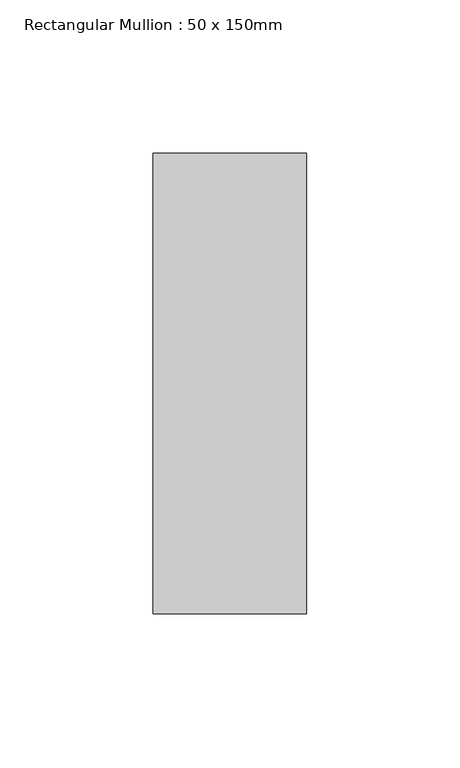
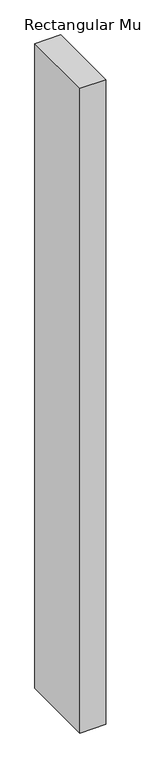
"""IFC4 building model written with IfcOpenShell, lengths in millimetres: member geometry, Rectangular Mullion : 50 x 150mm."""

from ifc_helpers import new_model, si_unit, frame, origin, place, context, project, spatial, polyline, outline, extrude, source, transform, mapped, element, save


def rectangular_mullion_50_x_150mm_f5c6b3e4(model_context):
    return source(origin(), model_context, "Body", "SweptSolid", [
        extrude(outline(polyline([(0.0, 75.0), (0.0, -75.0), (-50.0, -75.0), (-50.0, 75.0), (0.0, 75.0)])), frame((0.0, 0.0, -1310.7142857), z_axis=(0.0, 0.0, 1.0), x_axis=(1.0, 0.0, 0.0)), (0.0, 0.0, 1.0), 1310.7142857),
    ])


if __name__ == "__main__":
    model = new_model("IFC4")
    model_context = context("Model", 3, world=origin())
    ifc_project = project(units=[si_unit("LENGTHUNIT", "METRE", prefix="MILLI")], contexts=[model_context])
    site = spatial("IfcSite", under=ifc_project)
    building = spatial("IfcBuilding", under=site)
    placement = place(None, origin())
    rectangular_mullion_50_x_150mm_shape = rectangular_mullion_50_x_150mm_f5c6b3e4(model_context)
    element("IfcMember", 1, ObjectType="Rectangular Mullion : 50 x 150mm", at=placement, inside=building, context=model_context, shape_type="MappedRepresentation", body=[
        mapped(rectangular_mullion_50_x_150mm_shape, transform((0.0, 0.0, 0.0), x_axis=(1.0, 0.0, 0.0), y_axis=(0.0, 1.0, 0.0), z_axis=(0.0, 0.0, 1.0))),
    ])
    save(model, "model.ifc")
